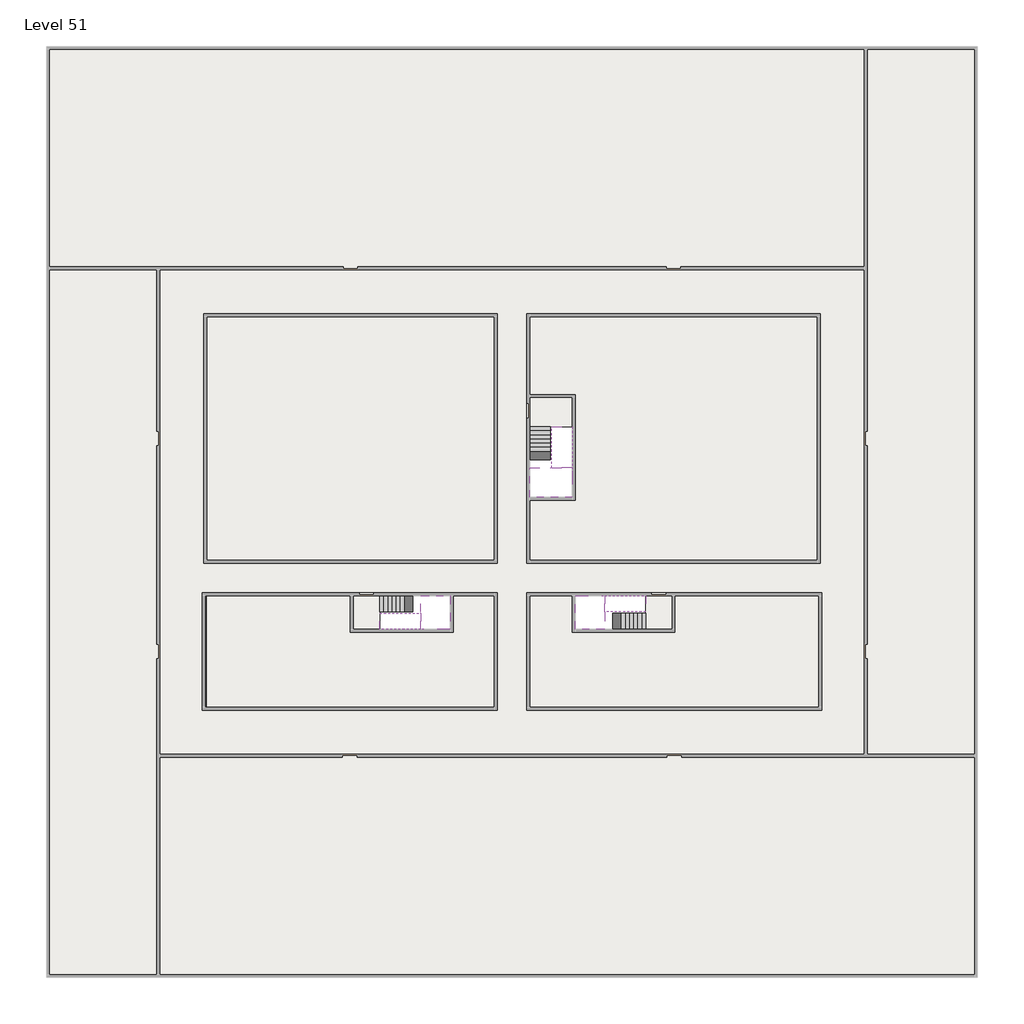
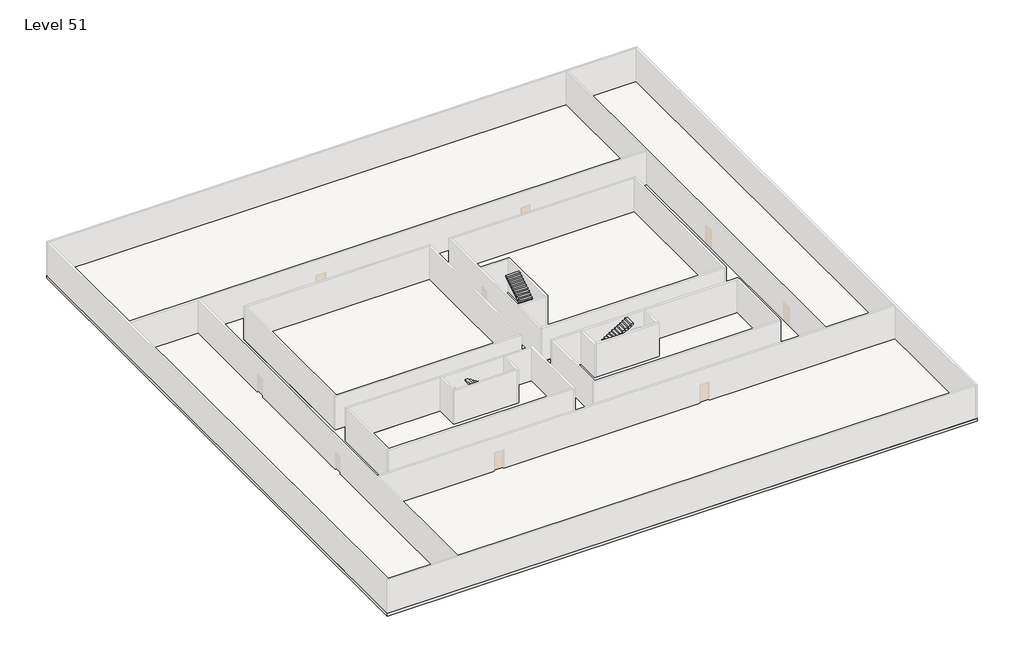
# One storey, part 2 of 2: 6 slabs, 6 stair flights.
"""IFC4 building model written with IfcOpenShell, lengths in millimetres."""

from ifc_helpers import new_model, si_unit, frame, origin, place, context, project, spatial, polyline, outline, extrude, faceted_brep, element, save

model = new_model("IFC4")

# Units and contexts
model_context = context("Model", 3, world=origin())
ifc_project = project(units=[si_unit("LENGTHUNIT", "METRE", prefix="MILLI")], contexts=[model_context])

# Site, building, storey
site = spatial("IfcSite", under=ifc_project)
building = spatial("IfcBuilding", under=site)
storey = spatial("IfcBuildingStorey", under=building, Name="Level 51", Elevation=190000.0)

# Slabs
placement = place(None, origin())
element("IfcSlab", 1, at=placement, inside=storey, context=model_context, shape_type="SweptSolid", body=[
    extrude(outline(polyline([(55890.1058784, -5518.09644), (55890.1058784, -68918.09644), (-7509.8941216, -68918.09644), (-7509.8941216, -5518.09644), (55890.1058784, -5518.09644)]), holes=[polyline([(23190.1058784, -23718.09644), (3190.1058784, -23718.09644), (3190.1058784, -40718.09644), (23190.1058784, -40718.09644), (23190.1058784, -23718.09644)]), polyline([(45190.1058784, -23718.09644), (25190.1058784, -23718.09644), (25190.1058784, -40718.09644), (45190.1058784, -40718.09644), (45190.1058784, -23718.09644)]), polyline([(23190.1058784, -50718.09644), (23190.1058784, -42718.09644), (3390.1058784, -42718.09644), (3390.1058784, -50718.09644), (23190.1058784, -50718.09644)]), polyline([(25190.1058784, -50718.09644), (45190.1058784, -50718.09644), (45190.1058784, -42718.09644), (25190.1058784, -42718.09644), (25190.1058784, -50718.09644)])]), frame((0.0, 0.0, 189700.0), z_axis=(0.0, 0.0, 1.0), x_axis=(1.0, 0.0, 0.0)), (0.0, 0.0, 1.0), 300.0),
])
element("IfcSlab", 2, at=placement, inside=storey, context=model_context, shape_type="Brep", body=[
    faceted_brep([(26790.1058784, -34218.09644, 191900.0), (25390.1058784, -34218.09644, 191900.0), (25390.1058784, -34297.4828763, 191900.0), (25390.1058784, -36218.09644, 191900.0), (28290.1058784, -36218.09644, 191900.0), (28290.1058784, -34418.7100038, 191900.0), (28290.1058784, -34218.09644, 191900.0), (26890.1058784, -34218.09644, 191900.0), (26790.1058784, -34218.09644, 191600.0), (26790.1058784, -34218.09644, 191551.0278478), (25390.1058784, -34218.09644, 191551.0278478), (25390.1058784, -34218.09644, 191727.2727273), (25390.1058784, -34297.4828763, 191600.0), (25390.1058784, -36218.09644, 191600.0), (28290.1058784, -36218.09644, 191600.0), (28290.1058784, -34418.7100038, 191600.0), (28290.1058784, -34218.09644, 191723.7551205), (26890.1058784, -34218.09644, 191723.7551205), (26890.1058784, -34218.09644, 191600.0), (26890.1058784, -34418.7100038, 191600.0), (26790.1058784, -34297.4828763, 191600.0)], [[[0, 1, 2, 3, 4, 5, 6, 7]], [[1, 0, 8, 9, 10, 11]], [[1, 11, 10, 12, 13, 3, 2]], [[4, 3, 13, 14]], [[4, 14, 15, 16, 6, 5]], [[7, 6, 16, 17]], [[0, 7, 17, 18, 8]], [[18, 19, 15, 14, 13, 12, 20, 8]], [[19, 18, 17]], [[20, 12, 10, 9]], [[8, 20, 9]], [[15, 19, 17, 16]]]),
])
element("IfcSlab", 3, at=placement, inside=storey, context=model_context, shape_type="SweptSolid", body=[
    extrude(outline(polyline([(22990.1058784, -23918.09644), (22990.1058784, -40518.09644), (3390.1058784, -40518.09644), (3390.1058784, -23918.09644), (22990.1058784, -23918.09644)])), frame((0.0, 0.0, 189700.0), z_axis=(0.0, 0.0, 1.0), x_axis=(1.0, 0.0, 0.0)), (0.0, 0.0, 1.0), 300.0),
    extrude(outline(polyline([(44990.1058784, -23918.09644), (44990.1058784, -40518.09644), (25390.1058784, -40518.09644), (25390.1058784, -36418.09644), (28490.1058784, -36418.09644), (28490.1058784, -29218.09644), (25390.1058784, -29218.09644), (25390.1058784, -23918.09644), (44990.1058784, -23918.09644)])), frame((0.0, 0.0, 189700.0), z_axis=(0.0, 0.0, 1.0), x_axis=(1.0, 0.0, 0.0)), (0.0, 0.0, 1.0), 300.0),
    extrude(outline(polyline([(22990.1058784, -42918.09644), (22990.1058784, -50518.09644), (3390.1058784, -50518.09644), (3390.1058784, -42918.09644), (13190.1058784, -42918.09644), (13190.1058784, -45418.09644), (20190.1058784, -45418.09644), (20190.1058784, -42918.09644), (22990.1058784, -42918.09644)])), frame((0.0, 0.0, 189700.0), z_axis=(0.0, 0.0, 1.0), x_axis=(1.0, 0.0, 0.0)), (0.0, 0.0, 1.0), 300.0),
    extrude(outline(polyline([(28290.1058784, -42918.09644), (28290.1058784, -45418.09644), (35290.1058784, -45418.09644), (35290.1058784, -42918.09644), (45090.1058784, -42918.09644), (45090.1058784, -50518.09644), (25390.1058784, -50518.09644), (25390.1058784, -42918.09644), (28290.1058784, -42918.09644)])), frame((0.0, 0.0, 189700.0), z_axis=(0.0, 0.0, 1.0), x_axis=(1.0, 0.0, 0.0)), (0.0, 0.0, 1.0), 300.0),
])
element("IfcSlab", 4, at=placement, inside=storey, context=model_context, shape_type="Brep", body=[
    faceted_brep([(30490.1058784, -45218.09644, 191900.0), (30490.1058784, -44118.09644, 191900.0), (30490.1058784, -44018.09644, 191900.0), (30490.1058784, -42918.09644, 191900.0), (30289.4923146, -42918.09644, 191900.0), (28490.1058784, -42918.09644, 191900.0), (28490.1058784, -45218.09644, 191900.0), (30410.7194421, -45218.09644, 191900.0), (30490.1058784, -45218.09644, 191727.2727273), (30490.1058784, -45218.09644, 191551.0278478), (30490.1058784, -44118.09644, 191551.0278478), (30490.1058784, -44118.09644, 191600.0), (30490.1058784, -44018.09644, 191600.0), (30490.1058784, -44018.09644, 191723.7551205), (30490.1058784, -42918.09644, 191723.7551205), (30289.4923146, -42918.09644, 191600.0), (28490.1058784, -42918.09644, 191600.0), (28490.1058784, -45218.09644, 191600.0), (30410.7194421, -45218.09644, 191600.0), (30289.4923146, -44018.09644, 191600.0), (30410.7194421, -44118.09644, 191600.0)], [[[0, 1, 2, 3, 4, 5, 6, 7]], [[1, 0, 8, 9, 10, 11]], [[2, 1, 11, 12, 13]], [[3, 2, 13, 14]], [[3, 14, 15, 16, 5, 4]], [[6, 5, 16, 17]], [[9, 8, 0, 7, 6, 17, 18]], [[19, 12, 11, 20, 18, 17, 16, 15]], [[12, 19, 13]], [[18, 20, 10, 9]], [[20, 11, 10]], [[19, 15, 14, 13]]]),
])
element("IfcSlab", 5, at=placement, inside=storey, context=model_context, shape_type="Brep", body=[
    faceted_brep([(17990.1058784, -42918.09644, 191900.0), (17990.1058784, -44018.09644, 191900.0), (17990.1058784, -44118.09644, 191900.0), (17990.1058784, -45218.09644, 191900.0), (18190.7194421, -45218.09644, 191900.0), (19990.1058784, -45218.09644, 191900.0), (19990.1058784, -42918.09644, 191900.0), (18069.4923146, -42918.09644, 191900.0), (17990.1058784, -42918.09644, 191727.2727273), (17990.1058784, -42918.09644, 191551.0278478), (17990.1058784, -44018.09644, 191551.0278478), (17990.1058784, -44018.09644, 191600.0), (17990.1058784, -44118.09644, 191600.0), (17990.1058784, -44118.09644, 191723.7551205), (17990.1058784, -45218.09644, 191723.7551205), (18190.7194421, -45218.09644, 191600.0), (19990.1058784, -45218.09644, 191600.0), (19990.1058784, -42918.09644, 191600.0), (18069.4923146, -42918.09644, 191600.0), (18190.7194421, -44118.09644, 191600.0), (18069.4923146, -44018.09644, 191600.0)], [[[0, 1, 2, 3, 4, 5, 6, 7]], [[1, 0, 8, 9, 10, 11]], [[2, 1, 11, 12, 13]], [[3, 2, 13, 14]], [[3, 14, 15, 16, 5, 4]], [[6, 5, 16, 17]], [[9, 8, 0, 7, 6, 17, 18]], [[19, 12, 11, 20, 18, 17, 16, 15]], [[12, 19, 13]], [[18, 20, 10, 9]], [[20, 11, 10]], [[19, 15, 14, 13]]]),
])
element("IfcSlab", 6, at=placement, inside=storey, context=model_context, shape_type="SweptSolid", body=[
    extrude(outline(polyline([(25190.1058784, -29418.09644), (28290.1058784, -29418.09644), (28290.1058784, -31418.09644), (25190.1058784, -31418.09644), (25190.1058784, -29418.09644)])), frame((0.0, 0.0, 189700.0), z_axis=(0.0, 0.0, 1.0), x_axis=(1.0, 0.0, 0.0)), (0.0, 0.0, 1.0), 300.0),
    extrude(outline(polyline([(15190.1058784, -45218.09644), (13390.1058784, -45218.09644), (13390.1058784, -42718.09644), (15190.1058784, -42718.09644), (15190.1058784, -45218.09644)])), frame((0.0, 0.0, 189700.0), z_axis=(0.0, 0.0, 1.0), x_axis=(1.0, 0.0, 0.0)), (0.0, 0.0, 1.0), 300.0),
    extrude(outline(polyline([(35090.1058784, -45218.09644), (33290.1058784, -45218.09644), (33290.1058784, -42718.09644), (35090.1058784, -42718.09644), (35090.1058784, -45218.09644)])), frame((0.0, 0.0, 189700.0), z_axis=(0.0, 0.0, 1.0), x_axis=(1.0, 0.0, 0.0)), (0.0, 0.0, 1.0), 300.0),
])

# Stair flights
element("IfcStairFlight", 7, at=placement, inside=storey, context=model_context, shape_type="Brep", body=[
    faceted_brep([(26790.1058784, -31698.09644, 190172.7272727), (26790.1058784, -31418.09644, 190172.7272727), (25390.1058784, -31418.09644, 190172.7272727), (25390.1058784, -31698.09644, 190172.7272727), (26790.1058784, -31698.09644, 190000.0), (26790.1058784, -31418.09644, 190000.0), (25390.1058784, -31418.09644, 190000.0), (25390.1058784, -31698.09644, 190000.0), (26790.1058784, -31978.09644, 190345.4545455), (26790.1058784, -31698.09644, 190345.4545455), (25390.1058784, -31698.09644, 190345.4545455), (25390.1058784, -31978.09644, 190345.4545455), (26790.1058784, -31978.09644, 190169.209666), (26790.1058784, -31703.7986657, 190000.0), (25390.1058784, -31703.7986657, 190000.0), (25390.1058784, -31978.09644, 190169.209666), (26790.1058784, -32258.09644, 190518.1818182), (26790.1058784, -31978.09644, 190518.1818182), (25390.1058784, -31978.09644, 190518.1818182), (25390.1058784, -32258.09644, 190518.1818182), (26790.1058784, -32258.09644, 190341.9369387), (25390.1058784, -32258.09644, 190341.9369387), (26790.1058784, -32538.09644, 190690.9090909), (26790.1058784, -32258.09644, 190690.9090909), (25390.1058784, -32258.09644, 190690.9090909), (25390.1058784, -32538.09644, 190690.9090909), (26790.1058784, -32538.09644, 190514.6642114), (25390.1058784, -32538.09644, 190514.6642114), (26790.1058784, -32818.09644, 190863.6363636), (26790.1058784, -32538.09644, 190863.6363636), (25390.1058784, -32538.09644, 190863.6363636), (25390.1058784, -32818.09644, 190863.6363636), (26790.1058784, -32818.09644, 190687.3914841), (25390.1058784, -32818.09644, 190687.3914841), (26790.1058784, -33098.09644, 191036.3636364), (26790.1058784, -32818.09644, 191036.3636364), (25390.1058784, -32818.09644, 191036.3636364), (25390.1058784, -33098.09644, 191036.3636364), (26790.1058784, -33098.09644, 190860.1187569), (25390.1058784, -33098.09644, 190860.1187569), (26790.1058784, -33378.09644, 191209.0909091), (26790.1058784, -33098.09644, 191209.0909091), (25390.1058784, -33098.09644, 191209.0909091), (25390.1058784, -33378.09644, 191209.0909091), (26790.1058784, -33378.09644, 191032.8460296), (25390.1058784, -33378.09644, 191032.8460296), (26790.1058784, -33658.09644, 191381.8181818), (26790.1058784, -33378.09644, 191381.8181818), (25390.1058784, -33378.09644, 191381.8181818), (25390.1058784, -33658.09644, 191381.8181818), (26790.1058784, -33658.09644, 191205.5733023), (25390.1058784, -33658.09644, 191205.5733023), (26790.1058784, -33938.09644, 191554.5454545), (26790.1058784, -33658.09644, 191554.5454545), (25390.1058784, -33658.09644, 191554.5454545), (25390.1058784, -33938.09644, 191554.5454545), (26790.1058784, -33938.09644, 191378.3005751), (25390.1058784, -33938.09644, 191378.3005751), (26790.1058784, -34218.09644, 191727.2727273), (26790.1058784, -33938.09644, 191727.2727273), (25390.1058784, -33938.09644, 191727.2727273), (25390.1058784, -34218.09644, 191727.2727273), (26790.1058784, -34218.09644, 191600.0), (26790.1058784, -34218.09644, 191551.0278478), (25390.1058784, -34218.09644, 191551.0278478)], [[[0, 1, 2, 3]], [[1, 0, 4, 5]], [[2, 1, 5, 6]], [[3, 2, 6, 7]], [[8, 9, 10, 11]], [[4, 0, 9, 8, 12, 13]], [[0, 3, 10, 9]], [[3, 7, 14, 15, 11, 10]], [[16, 17, 18, 19]], [[17, 16, 20, 12, 8]], [[8, 11, 18, 17]], [[19, 18, 11, 15, 21]], [[22, 23, 24, 25]], [[23, 22, 26, 20, 16]], [[16, 19, 24, 23]], [[25, 24, 19, 21, 27]], [[28, 29, 30, 31]], [[29, 28, 32, 26, 22]], [[22, 25, 30, 29]], [[31, 30, 25, 27, 33]], [[34, 35, 36, 37]], [[35, 34, 38, 32, 28]], [[28, 31, 36, 35]], [[37, 36, 31, 33, 39]], [[40, 41, 42, 43]], [[41, 40, 44, 38, 34]], [[34, 37, 42, 41]], [[43, 42, 37, 39, 45]], [[46, 47, 48, 49]], [[47, 46, 50, 44, 40]], [[40, 43, 48, 47]], [[49, 48, 43, 45, 51]], [[52, 53, 54, 55]], [[53, 52, 56, 50, 46]], [[46, 49, 54, 53]], [[55, 54, 49, 51, 57]], [[58, 59, 60, 61]], [[59, 58, 62, 63, 56, 52]], [[52, 55, 60, 59]], [[61, 60, 55, 57, 64]], [[58, 61, 64, 63, 62]], [[5, 4, 13, 14, 7, 6]], [[14, 13, 12, 20, 26, 32, 38, 44, 50, 56, 63, 64, 57, 51, 45, 39, 33, 27, 21, 15]]]),
])
element("IfcStairFlight", 8, at=placement, inside=storey, context=model_context, shape_type="Brep", body=[
    faceted_brep([(26890.1058784, -33938.09644, 192072.7272727), (26890.1058784, -34218.09644, 192072.7272727), (28290.1058784, -34218.09644, 192072.7272727), (28290.1058784, -33938.09644, 192072.7272727), (26890.1058784, -33938.09644, 191896.4823932), (26890.1058784, -34218.09644, 191723.7551205), (28290.1058784, -34218.09644, 191723.7551205), (28290.1058784, -34218.09644, 191900.0), (28290.1058784, -33938.09644, 191896.4823932), (26890.1058784, -33658.09644, 192245.4545455), (26890.1058784, -33938.09644, 192245.4545455), (28290.1058784, -33938.09644, 192245.4545455), (28290.1058784, -33658.09644, 192245.4545455), (26890.1058784, -33658.09644, 192069.209666), (28290.1058784, -33658.09644, 192069.209666), (26890.1058784, -33378.09644, 192418.1818182), (26890.1058784, -33658.09644, 192418.1818182), (28290.1058784, -33658.09644, 192418.1818182), (28290.1058784, -33378.09644, 192418.1818182), (26890.1058784, -33378.09644, 192241.9369387), (28290.1058784, -33378.09644, 192241.9369387), (26890.1058784, -33098.09644, 192590.9090909), (26890.1058784, -33378.09644, 192590.9090909), (28290.1058784, -33378.09644, 192590.9090909), (28290.1058784, -33098.09644, 192590.9090909), (26890.1058784, -33098.09644, 192414.6642114), (28290.1058784, -33098.09644, 192414.6642114), (26890.1058784, -32818.09644, 192763.6363636), (26890.1058784, -33098.09644, 192763.6363636), (28290.1058784, -33098.09644, 192763.6363636), (28290.1058784, -32818.09644, 192763.6363636), (26890.1058784, -32818.09644, 192587.3914841), (28290.1058784, -32818.09644, 192587.3914841), (26890.1058784, -32538.09644, 192936.3636364), (26890.1058784, -32818.09644, 192936.3636364), (28290.1058784, -32818.09644, 192936.3636364), (28290.1058784, -32538.09644, 192936.3636364), (26890.1058784, -32538.09644, 192760.1187569), (28290.1058784, -32538.09644, 192760.1187569), (26890.1058784, -32258.09644, 193109.0909091), (26890.1058784, -32538.09644, 193109.0909091), (28290.1058784, -32538.09644, 193109.0909091), (28290.1058784, -32258.09644, 193109.0909091), (26890.1058784, -32258.09644, 192932.8460296), (28290.1058784, -32258.09644, 192932.8460296), (26890.1058784, -31978.09644, 193281.8181818), (26890.1058784, -32258.09644, 193281.8181818), (28290.1058784, -32258.09644, 193281.8181818), (28290.1058784, -31978.09644, 193281.8181818), (26890.1058784, -31978.09644, 193105.5733023), (28290.1058784, -31978.09644, 193105.5733023), (26890.1058784, -31698.09644, 193454.5454545), (26890.1058784, -31978.09644, 193454.5454545), (28290.1058784, -31978.09644, 193454.5454545), (28290.1058784, -31698.09644, 193454.5454545), (26890.1058784, -31698.09644, 193278.3005751), (28290.1058784, -31698.09644, 193278.3005751), (26890.1058784, -31418.09644, 193627.2727273), (26890.1058784, -31698.09644, 193627.2727273), (28290.1058784, -31698.09644, 193627.2727273), (28290.1058784, -31418.09644, 193627.2727273), (26890.1058784, -31418.09644, 193451.0278478), (28290.1058784, -31418.09644, 193451.0278478)], [[[0, 1, 2, 3]], [[1, 0, 4, 5]], [[2, 1, 5, 6, 7]], [[3, 2, 7, 6, 8]], [[9, 10, 11, 12]], [[10, 9, 13, 4, 0]], [[11, 10, 0, 3]], [[12, 11, 3, 8, 14]], [[15, 16, 17, 18]], [[16, 15, 19, 13, 9]], [[17, 16, 9, 12]], [[18, 17, 12, 14, 20]], [[21, 22, 23, 24]], [[22, 21, 25, 19, 15]], [[23, 22, 15, 18]], [[24, 23, 18, 20, 26]], [[27, 28, 29, 30]], [[28, 27, 31, 25, 21]], [[29, 28, 21, 24]], [[30, 29, 24, 26, 32]], [[33, 34, 35, 36]], [[34, 33, 37, 31, 27]], [[35, 34, 27, 30]], [[36, 35, 30, 32, 38]], [[39, 40, 41, 42]], [[40, 39, 43, 37, 33]], [[41, 40, 33, 36]], [[42, 41, 36, 38, 44]], [[45, 46, 47, 48]], [[46, 45, 49, 43, 39]], [[47, 46, 39, 42]], [[48, 47, 42, 44, 50]], [[51, 52, 53, 54]], [[52, 51, 55, 49, 45]], [[53, 52, 45, 48]], [[54, 53, 48, 50, 56]], [[57, 58, 59, 60]], [[58, 57, 61, 55, 51]], [[59, 58, 51, 54]], [[60, 59, 54, 56, 62]], [[57, 60, 62, 61]], [[5, 4, 13, 19, 25, 31, 37, 43, 49, 55, 61, 62, 56, 50, 44, 38, 32, 26, 20, 14, 8, 6]]]),
])
element("IfcStairFlight", 9, at=placement, inside=storey, context=model_context, shape_type="Brep", body=[
    faceted_brep([(33010.1058784, -45218.09644, 190172.7272727), (33290.1058784, -45218.09644, 190172.7272727), (33290.1058784, -44118.09644, 190172.7272727), (33010.1058784, -44118.09644, 190172.7272727), (33010.1058784, -45218.09644, 190000.0), (33290.1058784, -45218.09644, 190000.0), (33290.1058784, -44118.09644, 190000.0), (33010.1058784, -44118.09644, 190000.0), (32730.1058784, -45218.09644, 190345.4545455), (33010.1058784, -45218.09644, 190345.4545455), (33010.1058784, -44118.09644, 190345.4545455), (32730.1058784, -44118.09644, 190345.4545455), (32730.1058784, -45218.09644, 190169.209666), (33004.4036527, -45218.09644, 190000.0), (33004.4036527, -44118.09644, 190000.0), (32730.1058784, -44118.09644, 190169.209666), (32450.1058784, -45218.09644, 190518.1818182), (32730.1058784, -45218.09644, 190518.1818182), (32730.1058784, -44118.09644, 190518.1818182), (32450.1058784, -44118.09644, 190518.1818182), (32450.1058784, -45218.09644, 190341.9369387), (32450.1058784, -44118.09644, 190341.9369387), (32170.1058784, -45218.09644, 190690.9090909), (32450.1058784, -45218.09644, 190690.9090909), (32450.1058784, -44118.09644, 190690.9090909), (32170.1058784, -44118.09644, 190690.9090909), (32170.1058784, -45218.09644, 190514.6642114), (32170.1058784, -44118.09644, 190514.6642114), (31890.1058784, -45218.09644, 190863.6363636), (32170.1058784, -45218.09644, 190863.6363636), (32170.1058784, -44118.09644, 190863.6363636), (31890.1058784, -44118.09644, 190863.6363636), (31890.1058784, -45218.09644, 190687.3914841), (31890.1058784, -44118.09644, 190687.3914841), (31610.1058784, -45218.09644, 191036.3636364), (31890.1058784, -45218.09644, 191036.3636364), (31890.1058784, -44118.09644, 191036.3636364), (31610.1058784, -44118.09644, 191036.3636364), (31610.1058784, -45218.09644, 190860.1187569), (31610.1058784, -44118.09644, 190860.1187569), (31330.1058784, -45218.09644, 191209.0909091), (31610.1058784, -45218.09644, 191209.0909091), (31610.1058784, -44118.09644, 191209.0909091), (31330.1058784, -44118.09644, 191209.0909091), (31330.1058784, -45218.09644, 191032.8460296), (31330.1058784, -44118.09644, 191032.8460296), (31050.1058784, -45218.09644, 191381.8181818), (31330.1058784, -45218.09644, 191381.8181818), (31330.1058784, -44118.09644, 191381.8181818), (31050.1058784, -44118.09644, 191381.8181818), (31050.1058784, -45218.09644, 191205.5733023), (31050.1058784, -44118.09644, 191205.5733023), (30770.1058784, -45218.09644, 191554.5454545), (31050.1058784, -45218.09644, 191554.5454545), (31050.1058784, -44118.09644, 191554.5454545), (30770.1058784, -44118.09644, 191554.5454545), (30770.1058784, -45218.09644, 191378.3005751), (30770.1058784, -44118.09644, 191378.3005751), (30490.1058784, -45218.09644, 191727.2727273), (30770.1058784, -45218.09644, 191727.2727273), (30770.1058784, -44118.09644, 191727.2727273), (30490.1058784, -44118.09644, 191727.2727273), (30490.1058784, -45218.09644, 191551.0278478), (30490.1058784, -44118.09644, 191551.0278478), (30490.1058784, -44118.09644, 191600.0)], [[[0, 1, 2, 3]], [[1, 0, 4, 5]], [[2, 1, 5, 6]], [[3, 2, 6, 7]], [[8, 9, 10, 11]], [[4, 0, 9, 8, 12, 13]], [[0, 3, 10, 9]], [[3, 7, 14, 15, 11, 10]], [[16, 17, 18, 19]], [[17, 16, 20, 12, 8]], [[8, 11, 18, 17]], [[19, 18, 11, 15, 21]], [[22, 23, 24, 25]], [[23, 22, 26, 20, 16]], [[16, 19, 24, 23]], [[25, 24, 19, 21, 27]], [[28, 29, 30, 31]], [[29, 28, 32, 26, 22]], [[22, 25, 30, 29]], [[31, 30, 25, 27, 33]], [[34, 35, 36, 37]], [[35, 34, 38, 32, 28]], [[28, 31, 36, 35]], [[37, 36, 31, 33, 39]], [[40, 41, 42, 43]], [[41, 40, 44, 38, 34]], [[34, 37, 42, 41]], [[43, 42, 37, 39, 45]], [[46, 47, 48, 49]], [[47, 46, 50, 44, 40]], [[40, 43, 48, 47]], [[49, 48, 43, 45, 51]], [[52, 53, 54, 55]], [[53, 52, 56, 50, 46]], [[46, 49, 54, 53]], [[55, 54, 49, 51, 57]], [[58, 59, 60, 61]], [[59, 58, 62, 56, 52]], [[52, 55, 60, 59]], [[61, 60, 55, 57, 63, 64]], [[58, 61, 64, 63, 62]], [[5, 4, 13, 14, 7, 6]], [[14, 13, 12, 20, 26, 32, 38, 44, 50, 56, 62, 63, 57, 51, 45, 39, 33, 27, 21, 15]]]),
])
element("IfcStairFlight", 10, at=placement, inside=storey, context=model_context, shape_type="Brep", body=[
    faceted_brep([(30770.1058784, -42918.09644, 192072.7272727), (30490.1058784, -42918.09644, 192072.7272727), (30490.1058784, -44018.09644, 192072.7272727), (30770.1058784, -44018.09644, 192072.7272727), (30770.1058784, -42918.09644, 191896.4823932), (30490.1058784, -42918.09644, 191723.7551205), (30490.1058784, -42918.09644, 191900.0), (30490.1058784, -44018.09644, 191723.7551205), (30770.1058784, -44018.09644, 191896.4823932), (31050.1058784, -42918.09644, 192245.4545455), (30770.1058784, -42918.09644, 192245.4545455), (30770.1058784, -44018.09644, 192245.4545455), (31050.1058784, -44018.09644, 192245.4545455), (31050.1058784, -42918.09644, 192069.209666), (31050.1058784, -44018.09644, 192069.209666), (31330.1058784, -42918.09644, 192418.1818182), (31050.1058784, -42918.09644, 192418.1818182), (31050.1058784, -44018.09644, 192418.1818182), (31330.1058784, -44018.09644, 192418.1818182), (31330.1058784, -42918.09644, 192241.9369387), (31330.1058784, -44018.09644, 192241.9369387), (31610.1058784, -42918.09644, 192590.9090909), (31330.1058784, -42918.09644, 192590.9090909), (31330.1058784, -44018.09644, 192590.9090909), (31610.1058784, -44018.09644, 192590.9090909), (31610.1058784, -42918.09644, 192414.6642114), (31610.1058784, -44018.09644, 192414.6642114), (31890.1058784, -42918.09644, 192763.6363636), (31610.1058784, -42918.09644, 192763.6363636), (31610.1058784, -44018.09644, 192763.6363636), (31890.1058784, -44018.09644, 192763.6363636), (31890.1058784, -42918.09644, 192587.3914841), (31890.1058784, -44018.09644, 192587.3914841), (32170.1058784, -42918.09644, 192936.3636364), (31890.1058784, -42918.09644, 192936.3636364), (31890.1058784, -44018.09644, 192936.3636364), (32170.1058784, -44018.09644, 192936.3636364), (32170.1058784, -42918.09644, 192760.1187569), (32170.1058784, -44018.09644, 192760.1187569), (32450.1058784, -42918.09644, 193109.0909091), (32170.1058784, -42918.09644, 193109.0909091), (32170.1058784, -44018.09644, 193109.0909091), (32450.1058784, -44018.09644, 193109.0909091), (32450.1058784, -42918.09644, 192932.8460296), (32450.1058784, -44018.09644, 192932.8460296), (32730.1058784, -42918.09644, 193281.8181818), (32450.1058784, -42918.09644, 193281.8181818), (32450.1058784, -44018.09644, 193281.8181818), (32730.1058784, -44018.09644, 193281.8181818), (32730.1058784, -42918.09644, 193105.5733023), (32730.1058784, -44018.09644, 193105.5733023), (33010.1058784, -42918.09644, 193454.5454545), (32730.1058784, -42918.09644, 193454.5454545), (32730.1058784, -44018.09644, 193454.5454545), (33010.1058784, -44018.09644, 193454.5454545), (33010.1058784, -42918.09644, 193278.3005751), (33010.1058784, -44018.09644, 193278.3005751), (33290.1058784, -42918.09644, 193627.2727273), (33010.1058784, -42918.09644, 193627.2727273), (33010.1058784, -44018.09644, 193627.2727273), (33290.1058784, -44018.09644, 193627.2727273), (33290.1058784, -42918.09644, 193451.0278478), (33290.1058784, -44018.09644, 193451.0278478)], [[[0, 1, 2, 3]], [[1, 0, 4, 5, 6]], [[2, 1, 6, 5, 7]], [[3, 2, 7, 8]], [[9, 10, 11, 12]], [[10, 9, 13, 4, 0]], [[11, 10, 0, 3]], [[12, 11, 3, 8, 14]], [[15, 16, 17, 18]], [[16, 15, 19, 13, 9]], [[17, 16, 9, 12]], [[18, 17, 12, 14, 20]], [[21, 22, 23, 24]], [[22, 21, 25, 19, 15]], [[23, 22, 15, 18]], [[24, 23, 18, 20, 26]], [[27, 28, 29, 30]], [[28, 27, 31, 25, 21]], [[29, 28, 21, 24]], [[30, 29, 24, 26, 32]], [[33, 34, 35, 36]], [[34, 33, 37, 31, 27]], [[35, 34, 27, 30]], [[36, 35, 30, 32, 38]], [[39, 40, 41, 42]], [[40, 39, 43, 37, 33]], [[41, 40, 33, 36]], [[42, 41, 36, 38, 44]], [[45, 46, 47, 48]], [[46, 45, 49, 43, 39]], [[47, 46, 39, 42]], [[48, 47, 42, 44, 50]], [[51, 52, 53, 54]], [[52, 51, 55, 49, 45]], [[53, 52, 45, 48]], [[54, 53, 48, 50, 56]], [[57, 58, 59, 60]], [[58, 57, 61, 55, 51]], [[59, 58, 51, 54]], [[60, 59, 54, 56, 62]], [[57, 60, 62, 61]], [[5, 4, 13, 19, 25, 31, 37, 43, 49, 55, 61, 62, 56, 50, 44, 38, 32, 26, 20, 14, 8, 7]]]),
])
element("IfcStairFlight", 11, at=placement, inside=storey, context=model_context, shape_type="Brep", body=[
    faceted_brep([(15470.1058784, -42918.09644, 190172.7272727), (15190.1058784, -42918.09644, 190172.7272727), (15190.1058784, -44018.09644, 190172.7272727), (15470.1058784, -44018.09644, 190172.7272727), (15470.1058784, -42918.09644, 190000.0), (15190.1058784, -42918.09644, 190000.0), (15190.1058784, -44018.09644, 190000.0), (15470.1058784, -44018.09644, 190000.0), (15750.1058784, -42918.09644, 190345.4545455), (15470.1058784, -42918.09644, 190345.4545455), (15470.1058784, -44018.09644, 190345.4545455), (15750.1058784, -44018.09644, 190345.4545455), (15750.1058784, -42918.09644, 190169.209666), (15475.8081041, -42918.09644, 190000.0), (15475.8081041, -44018.09644, 190000.0), (15750.1058784, -44018.09644, 190169.209666), (16030.1058784, -42918.09644, 190518.1818182), (15750.1058784, -42918.09644, 190518.1818182), (15750.1058784, -44018.09644, 190518.1818182), (16030.1058784, -44018.09644, 190518.1818182), (16030.1058784, -42918.09644, 190341.9369387), (16030.1058784, -44018.09644, 190341.9369387), (16310.1058784, -42918.09644, 190690.9090909), (16030.1058784, -42918.09644, 190690.9090909), (16030.1058784, -44018.09644, 190690.9090909), (16310.1058784, -44018.09644, 190690.9090909), (16310.1058784, -42918.09644, 190514.6642114), (16310.1058784, -44018.09644, 190514.6642114), (16590.1058784, -42918.09644, 190863.6363636), (16310.1058784, -42918.09644, 190863.6363636), (16310.1058784, -44018.09644, 190863.6363636), (16590.1058784, -44018.09644, 190863.6363636), (16590.1058784, -42918.09644, 190687.3914841), (16590.1058784, -44018.09644, 190687.3914841), (16870.1058784, -42918.09644, 191036.3636364), (16590.1058784, -42918.09644, 191036.3636364), (16590.1058784, -44018.09644, 191036.3636364), (16870.1058784, -44018.09644, 191036.3636364), (16870.1058784, -42918.09644, 190860.1187569), (16870.1058784, -44018.09644, 190860.1187569), (17150.1058784, -42918.09644, 191209.0909091), (16870.1058784, -42918.09644, 191209.0909091), (16870.1058784, -44018.09644, 191209.0909091), (17150.1058784, -44018.09644, 191209.0909091), (17150.1058784, -42918.09644, 191032.8460296), (17150.1058784, -44018.09644, 191032.8460296), (17430.1058784, -42918.09644, 191381.8181818), (17150.1058784, -42918.09644, 191381.8181818), (17150.1058784, -44018.09644, 191381.8181818), (17430.1058784, -44018.09644, 191381.8181818), (17430.1058784, -42918.09644, 191205.5733023), (17430.1058784, -44018.09644, 191205.5733023), (17710.1058784, -42918.09644, 191554.5454545), (17430.1058784, -42918.09644, 191554.5454545), (17430.1058784, -44018.09644, 191554.5454545), (17710.1058784, -44018.09644, 191554.5454545), (17710.1058784, -42918.09644, 191378.3005751), (17710.1058784, -44018.09644, 191378.3005751), (17990.1058784, -42918.09644, 191727.2727273), (17710.1058784, -42918.09644, 191727.2727273), (17710.1058784, -44018.09644, 191727.2727273), (17990.1058784, -44018.09644, 191727.2727273), (17990.1058784, -42918.09644, 191551.0278478), (17990.1058784, -44018.09644, 191551.0278478), (17990.1058784, -44018.09644, 191600.0)], [[[0, 1, 2, 3]], [[1, 0, 4, 5]], [[2, 1, 5, 6]], [[3, 2, 6, 7]], [[8, 9, 10, 11]], [[4, 0, 9, 8, 12, 13]], [[0, 3, 10, 9]], [[3, 7, 14, 15, 11, 10]], [[16, 17, 18, 19]], [[17, 16, 20, 12, 8]], [[8, 11, 18, 17]], [[19, 18, 11, 15, 21]], [[22, 23, 24, 25]], [[23, 22, 26, 20, 16]], [[16, 19, 24, 23]], [[25, 24, 19, 21, 27]], [[28, 29, 30, 31]], [[29, 28, 32, 26, 22]], [[22, 25, 30, 29]], [[31, 30, 25, 27, 33]], [[34, 35, 36, 37]], [[35, 34, 38, 32, 28]], [[28, 31, 36, 35]], [[37, 36, 31, 33, 39]], [[40, 41, 42, 43]], [[41, 40, 44, 38, 34]], [[34, 37, 42, 41]], [[43, 42, 37, 39, 45]], [[46, 47, 48, 49]], [[47, 46, 50, 44, 40]], [[40, 43, 48, 47]], [[49, 48, 43, 45, 51]], [[52, 53, 54, 55]], [[53, 52, 56, 50, 46]], [[46, 49, 54, 53]], [[55, 54, 49, 51, 57]], [[58, 59, 60, 61]], [[59, 58, 62, 56, 52]], [[52, 55, 60, 59]], [[61, 60, 55, 57, 63, 64]], [[58, 61, 64, 63, 62]], [[5, 4, 13, 14, 7, 6]], [[14, 13, 12, 20, 26, 32, 38, 44, 50, 56, 62, 63, 57, 51, 45, 39, 33, 27, 21, 15]]]),
])
element("IfcStairFlight", 12, at=placement, inside=storey, context=model_context, shape_type="Brep", body=[
    faceted_brep([(17710.1058784, -45218.09644, 192072.7272727), (17990.1058784, -45218.09644, 192072.7272727), (17990.1058784, -44118.09644, 192072.7272727), (17710.1058784, -44118.09644, 192072.7272727), (17710.1058784, -45218.09644, 191896.4823932), (17990.1058784, -45218.09644, 191723.7551205), (17990.1058784, -45218.09644, 191900.0), (17990.1058784, -44118.09644, 191723.7551205), (17710.1058784, -44118.09644, 191896.4823932), (17430.1058784, -45218.09644, 192245.4545455), (17710.1058784, -45218.09644, 192245.4545455), (17710.1058784, -44118.09644, 192245.4545455), (17430.1058784, -44118.09644, 192245.4545455), (17430.1058784, -45218.09644, 192069.209666), (17430.1058784, -44118.09644, 192069.209666), (17150.1058784, -45218.09644, 192418.1818182), (17430.1058784, -45218.09644, 192418.1818182), (17430.1058784, -44118.09644, 192418.1818182), (17150.1058784, -44118.09644, 192418.1818182), (17150.1058784, -45218.09644, 192241.9369387), (17150.1058784, -44118.09644, 192241.9369387), (16870.1058784, -45218.09644, 192590.9090909), (17150.1058784, -45218.09644, 192590.9090909), (17150.1058784, -44118.09644, 192590.9090909), (16870.1058784, -44118.09644, 192590.9090909), (16870.1058784, -45218.09644, 192414.6642114), (16870.1058784, -44118.09644, 192414.6642114), (16590.1058784, -45218.09644, 192763.6363636), (16870.1058784, -45218.09644, 192763.6363636), (16870.1058784, -44118.09644, 192763.6363636), (16590.1058784, -44118.09644, 192763.6363636), (16590.1058784, -45218.09644, 192587.3914841), (16590.1058784, -44118.09644, 192587.3914841), (16310.1058784, -45218.09644, 192936.3636364), (16590.1058784, -45218.09644, 192936.3636364), (16590.1058784, -44118.09644, 192936.3636364), (16310.1058784, -44118.09644, 192936.3636364), (16310.1058784, -45218.09644, 192760.1187569), (16310.1058784, -44118.09644, 192760.1187569), (16030.1058784, -45218.09644, 193109.0909091), (16310.1058784, -45218.09644, 193109.0909091), (16310.1058784, -44118.09644, 193109.0909091), (16030.1058784, -44118.09644, 193109.0909091), (16030.1058784, -45218.09644, 192932.8460296), (16030.1058784, -44118.09644, 192932.8460296), (15750.1058784, -45218.09644, 193281.8181818), (16030.1058784, -45218.09644, 193281.8181818), (16030.1058784, -44118.09644, 193281.8181818), (15750.1058784, -44118.09644, 193281.8181818), (15750.1058784, -45218.09644, 193105.5733023), (15750.1058784, -44118.09644, 193105.5733023), (15470.1058784, -45218.09644, 193454.5454545), (15750.1058784, -45218.09644, 193454.5454545), (15750.1058784, -44118.09644, 193454.5454545), (15470.1058784, -44118.09644, 193454.5454545), (15470.1058784, -45218.09644, 193278.3005751), (15470.1058784, -44118.09644, 193278.3005751), (15190.1058784, -45218.09644, 193627.2727273), (15470.1058784, -45218.09644, 193627.2727273), (15470.1058784, -44118.09644, 193627.2727273), (15190.1058784, -44118.09644, 193627.2727273), (15190.1058784, -45218.09644, 193451.0278478), (15190.1058784, -44118.09644, 193451.0278478)], [[[0, 1, 2, 3]], [[1, 0, 4, 5, 6]], [[2, 1, 6, 5, 7]], [[3, 2, 7, 8]], [[9, 10, 11, 12]], [[10, 9, 13, 4, 0]], [[11, 10, 0, 3]], [[12, 11, 3, 8, 14]], [[15, 16, 17, 18]], [[16, 15, 19, 13, 9]], [[17, 16, 9, 12]], [[18, 17, 12, 14, 20]], [[21, 22, 23, 24]], [[22, 21, 25, 19, 15]], [[23, 22, 15, 18]], [[24, 23, 18, 20, 26]], [[27, 28, 29, 30]], [[28, 27, 31, 25, 21]], [[29, 28, 21, 24]], [[30, 29, 24, 26, 32]], [[33, 34, 35, 36]], [[34, 33, 37, 31, 27]], [[35, 34, 27, 30]], [[36, 35, 30, 32, 38]], [[39, 40, 41, 42]], [[40, 39, 43, 37, 33]], [[41, 40, 33, 36]], [[42, 41, 36, 38, 44]], [[45, 46, 47, 48]], [[46, 45, 49, 43, 39]], [[47, 46, 39, 42]], [[48, 47, 42, 44, 50]], [[51, 52, 53, 54]], [[52, 51, 55, 49, 45]], [[53, 52, 45, 48]], [[54, 53, 48, 50, 56]], [[57, 58, 59, 60]], [[58, 57, 61, 55, 51]], [[59, 58, 51, 54]], [[60, 59, 54, 56, 62]], [[57, 60, 62, 61]], [[5, 4, 13, 19, 25, 31, 37, 43, 49, 55, 61, 62, 56, 50, 44, 38, 32, 26, 20, 14, 8, 7]]]),
])

save(model, "model.ifc")
